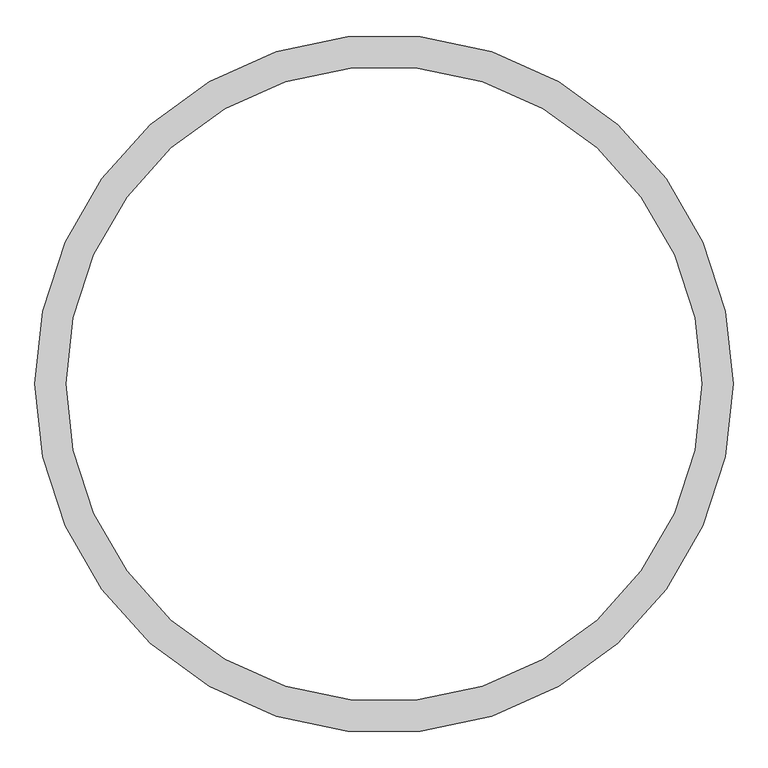
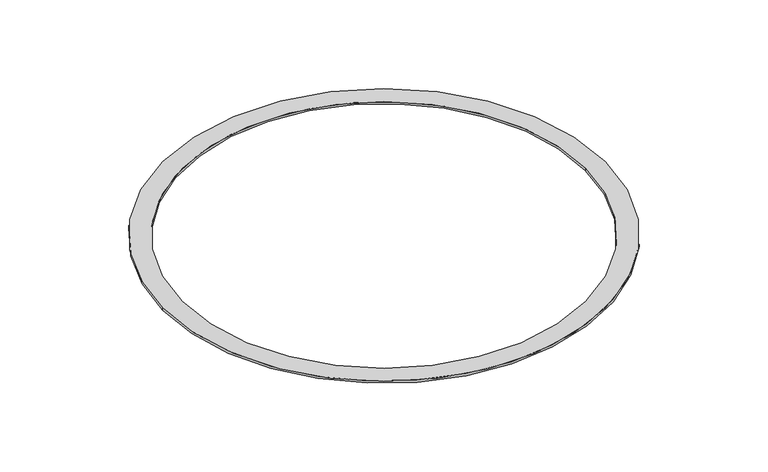
"""IFC4 building model written with IfcOpenShell, lengths in millimetres: furniture geometry."""

from ifc_helpers import new_model, si_unit, point, origin, origin_with_axes, origin_2d, place, context, project, spatial, circle_curve, trimmed, segment, composite_curve, outline, extrude, source, transform, mapped, element, save


def furniture_4dec2873(model_context):
    return source(origin(), model_context, "Body", "SweptSolid", [
        extrude(outline(composite_curve([segment(trimmed(circle_curve(origin_2d(), 999.6795688), [point((-999.6795688, 0.0))], [point((999.6795688, 0.0))], False, "CARTESIAN"), True, "CONTINUOUS"), segment(trimmed(circle_curve(origin_2d(), 999.6795688), [point((999.6795688, 0.0))], [point((-999.6795688, 0.0))], False, "CARTESIAN"), True, "CONTINUOUS")], self_intersect=False), holes=[composite_curve([segment(trimmed(circle_curve(origin_2d(), 909.6795688), [point((909.6795688, 0.0))], [point((-909.6795688, 0.0))], True, "CARTESIAN"), True, "CONTINUOUS"), segment(trimmed(circle_curve(origin_2d(), 909.6795688), [point((-909.6795688, 0.0))], [point((909.6795688, 0.0))], True, "CARTESIAN"), True, "CONTINUOUS")], self_intersect=False)]), origin_with_axes(), (0.0, 0.0, 1.0), 10.0),
    ])


if __name__ == "__main__":
    model = new_model("IFC4")
    model_context = context("Model", 3, world=origin())
    ifc_project = project(units=[si_unit("LENGTHUNIT", "METRE", prefix="MILLI")], contexts=[model_context])
    site = spatial("IfcSite", under=ifc_project)
    building = spatial("IfcBuilding", under=site)
    placement = place(None, origin())
    furniture_shape = furniture_4dec2873(model_context)
    element("IfcFurniture", 1, at=placement, inside=building, context=model_context, shape_type="MappedRepresentation", body=[
        mapped(furniture_shape, transform((0.0, 0.0, 0.0), x_axis=(1.0, 0.0, 0.0), y_axis=(0.0, 1.0, 0.0), z_axis=(0.0, 0.0, 1.0))),
    ])
    save(model, "model.ifc")
